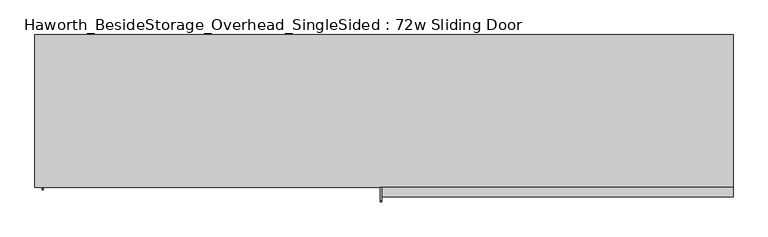
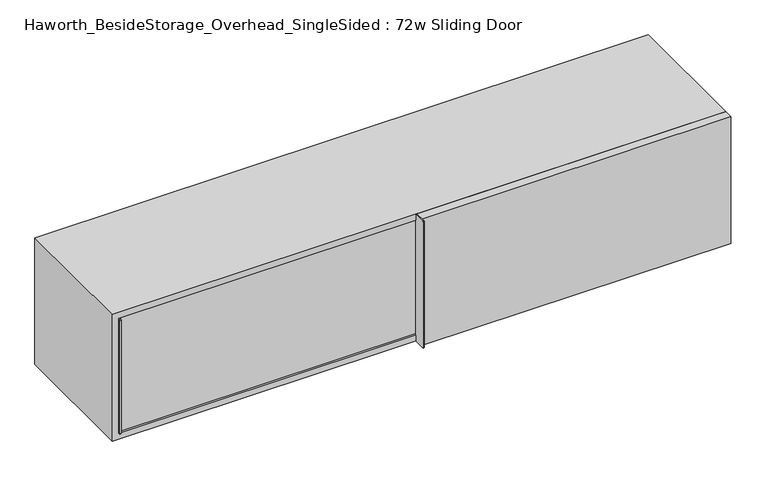
"""IFC4 building model written with IfcOpenShell, lengths in millimetres: furniture geometry, Haworth_BesideStorage_Overhead_SingleSided : 72w Sliding Door."""

from ifc_helpers import new_model, si_unit, point, frame, frame_2d, origin, place, context, project, spatial, polyline, circle_curve, trimmed, segment, composite_curve, outline, extrude, source, transform, mapped, element, save


def haworth_besidestorage_overhead_singlesided_72w_sliding_door_90747a6b(model_context):
    return source(origin(), model_context, "Body", "SweptSolid", [
        extrude(outline(composite_curve([segment(polyline([(-400.05, 1162.05), (-400.05, 762.0), (-434.975, 762.0)]), True, "CONTINUOUS"), segment(trimmed(circle_curve(frame_2d((-434.975, 765.175)), 3.175), [point((-434.975, 762.0))], [point((-438.15, 765.175))], False, "CARTESIAN"), True, "CONTINUOUS"), segment(polyline([(-438.15, 765.175), (-438.15, 1158.875)]), True, "CONTINUOUS"), segment(trimmed(circle_curve(frame_2d((-434.975, 1158.875)), 3.175), [point((-438.15, 1158.875))], [point((-434.975, 1162.05))], False, "CARTESIAN"), True, "CONTINUOUS"), segment(polyline([(-434.975, 1162.05), (-400.05, 1162.05)]), True, "CONTINUOUS")], self_intersect=False)), frame((155.575, 0.0, 0.0), z_axis=(1.0, 0.0, 0.0), x_axis=(0.0, 1.0, 0.0)), (0.0, 0.0, 1.0), 3.175),
        extrude(outline(polyline([(1079.5, -400.05), (1079.5, -425.45), (158.75, -425.45), (158.75, -400.05), (1079.5, -400.05)])), frame((0.0, 0.0, 762.0), z_axis=(0.0, 0.0, 1.0), x_axis=(1.0, 0.0, 0.0)), (0.0, 0.0, 1.0), 400.05),
        extrude(outline(composite_curve([segment(polyline([(-368.3, 1143.0), (-368.3, 781.05), (-403.225, 781.05)]), True, "CONTINUOUS"), segment(trimmed(circle_curve(frame_2d((-403.225, 784.225)), 3.175), [point((-403.225, 781.05))], [point((-406.4, 784.225))], False, "CARTESIAN"), True, "CONTINUOUS"), segment(polyline([(-406.4, 784.225), (-406.4, 1139.825)]), True, "CONTINUOUS"), segment(trimmed(circle_curve(frame_2d((-403.225, 1139.825)), 3.175), [point((-406.4, 1139.825))], [point((-403.225, 1143.0))], False, "CARTESIAN"), True, "CONTINUOUS"), segment(polyline([(-403.225, 1143.0), (-368.3, 1143.0)]), True, "CONTINUOUS")], self_intersect=False)), frame((-730.25, 0.0, 0.0), z_axis=(1.0, 0.0, 0.0), x_axis=(0.0, 1.0, 0.0)), (0.0, 0.0, 1.0), 3.175),
        extrude(outline(polyline([(174.625, -368.3), (174.625, -393.7), (-727.075, -393.7), (-727.075, -368.3), (174.625, -368.3)])), frame((0.0, 0.0, 781.05), z_axis=(0.0, 0.0, 1.0), x_axis=(1.0, 0.0, 0.0)), (0.0, 0.0, 1.0), 361.95),
        extrude(outline(polyline([(174.625, -368.3), (155.575, -368.3), (155.575, -19.05), (174.625, -19.05), (174.625, -368.3)])), frame((0.0, 0.0, 781.05), z_axis=(0.0, 0.0, 1.0), x_axis=(1.0, 0.0, 0.0)), (0.0, 0.0, 1.0), 361.95),
        extrude(outline(polyline([(1060.45, -19.05), (-730.25, -19.05), (-730.25, 0.0), (1060.45, 0.0), (1060.45, -19.05)])), frame((0.0, 0.0, 781.05), z_axis=(0.0, 0.0, 1.0), x_axis=(1.0, 0.0, 0.0)), (0.0, 0.0, 1.0), 361.95),
        extrude(outline(polyline([(762.0, 1079.5), (1162.05, 1079.5), (1162.05, -749.3), (762.0, -749.3), (762.0, 1079.5)]), holes=[polyline([(1143.0, 1060.45), (781.05, 1060.45), (781.05, -730.25), (1143.0, -730.25), (1143.0, 1060.45)])]), frame((0.0, -400.05, 0.0), z_axis=(0.0, 1.0, 0.0), x_axis=(0.0, 0.0, 1.0)), (0.0, 0.0, 1.0), 400.05),
    ])


if __name__ == "__main__":
    model = new_model("IFC4")
    model_context = context("Model", 3, world=origin())
    ifc_project = project(units=[si_unit("LENGTHUNIT", "METRE", prefix="MILLI")], contexts=[model_context])
    site = spatial("IfcSite", under=ifc_project)
    building = spatial("IfcBuilding", under=site)
    placement = place(None, origin())
    haworth_besidestorage_overhead_singlesided_72w_sliding_door_shape = haworth_besidestorage_overhead_singlesided_72w_sliding_door_90747a6b(model_context)
    element("IfcFurniture", 1, ObjectType="Haworth_BesideStorage_Overhead_SingleSided : 72w Sliding Door", at=placement, inside=building, context=model_context, shape_type="MappedRepresentation", body=[
        mapped(haworth_besidestorage_overhead_singlesided_72w_sliding_door_shape, transform((0.0, 0.0, 0.0), x_axis=(1.0, 0.0, 0.0), y_axis=(0.0, 1.0, 0.0), z_axis=(0.0, 0.0, 1.0))),
    ])
    save(model, "model.ifc")
